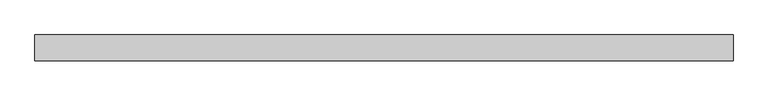
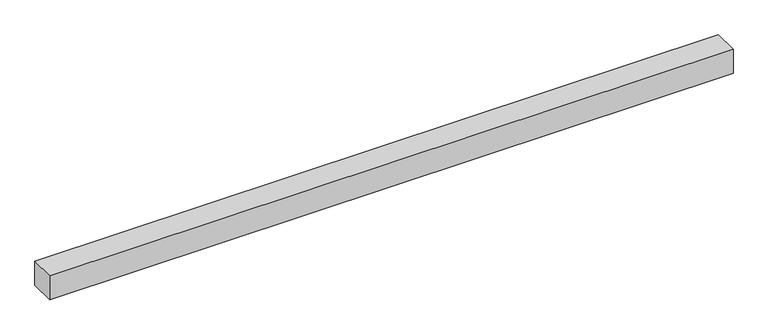
"""IFC4 building model written with IfcOpenShell, lengths in millimetres: beam geometry."""

from ifc_helpers import new_model, si_unit, frame, origin, place, context, project, spatial, polyline, outline, extrude, source, transform, mapped, element, save


def beam_340b85cf(model_context):
    return source(origin(), model_context, "Body", "SweptSolid", [
        extrude(outline(polyline([(6050.0, 75.0), (6050.0, -75.0), (2000.0, -75.0), (2000.0, 75.0), (6050.0, 75.0)])), frame((0.0, 0.0, -75.0), z_axis=(0.0, 0.0, 1.0), x_axis=(1.0, 0.0, 0.0)), (0.0, 0.0, 1.0), 150.0),
    ])


if __name__ == "__main__":
    model = new_model("IFC4")
    model_context = context("Model", 3, world=origin())
    ifc_project = project(units=[si_unit("LENGTHUNIT", "METRE", prefix="MILLI")], contexts=[model_context])
    site = spatial("IfcSite", under=ifc_project)
    building = spatial("IfcBuilding", under=site)
    placement = place(None, origin())
    beam_shape = beam_340b85cf(model_context)
    element("IfcBeam", 1, at=placement, inside=building, context=model_context, shape_type="MappedRepresentation", body=[
        mapped(beam_shape, transform((0.0, 0.0, 0.0), x_axis=(1.0, 0.0, 0.0), y_axis=(0.0, 1.0, 0.0), z_axis=(0.0, 0.0, 1.0))),
    ])
    save(model, "model.ifc")
